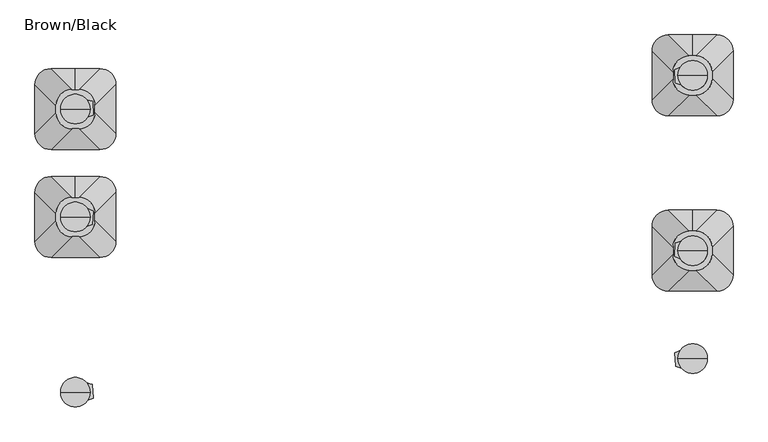
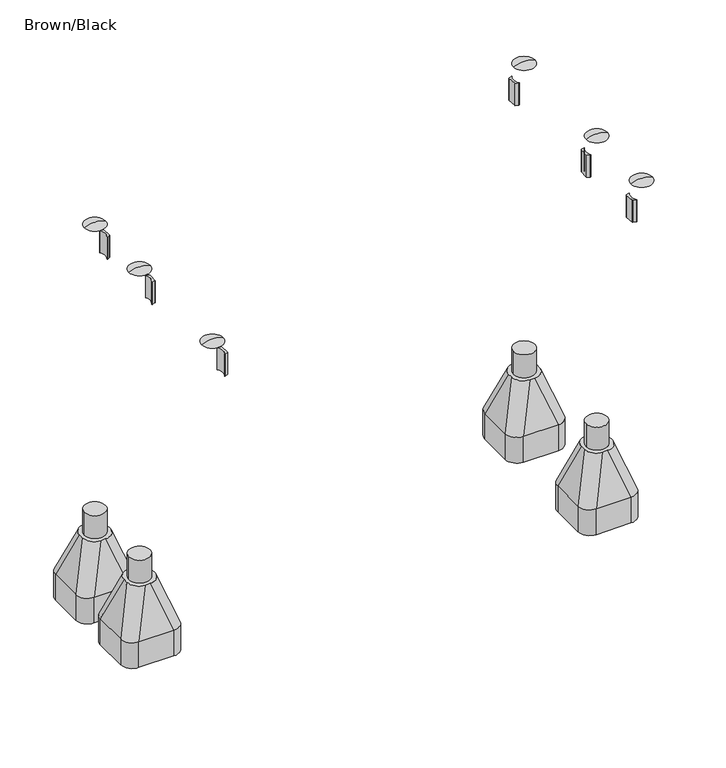
"""IFC4 building model written with IfcOpenShell, lengths in millimetres: furniture geometry, Brown/Black."""

from ifc_helpers import new_model, si_unit, point, frame, frame_2d, origin, place, context, project, spatial, polyline, circle_curve, ellipse_curve, trimmed, segment, composite_curve, outline, extrude, source, transform, mapped, element, save
from ifc_brep_helpers import plane_surface, cylinder_surface, revolved_surface, extruded_surface, advanced_brep


def brown_black_dec9ff12(model_context):
    return source(origin(), model_context, "Body", "SolidModel", [
        extrude(outline(composite_curve([segment(trimmed(circle_curve(frame_2d((-501.6623721, 1287.8944553)), 1.0), [point((-502.4716798, 1287.3070703))], [point((-501.3721685, 1288.8514202))], False, "CARTESIAN"), True, "CONTINUOUS"), segment(polyline([(-501.3721685, 1288.8514202), (-484.3878692, 1283.7008607)]), True, "CONTINUOUS"), segment(trimmed(circle_curve(frame_2d((-484.6780728, 1282.7438958)), 1.0), [point((-484.3878692, 1283.7008607))], [point((-483.6795644, 1282.7984949))], False, "CARTESIAN"), True, "CONTINUOUS"), segment(polyline([(-483.6795644, 1282.7984949), (-481.0260708, 1234.2714032)]), True, "CONTINUOUS"), segment(trimmed(circle_curve(frame_2d((-482.0245791, 1234.2168041)), 1.0), [point((-481.0260708, 1234.2714032))], [point((-481.6317628, 1233.2971872))], False, "CARTESIAN"), True, "CONTINUOUS"), segment(polyline([(-481.6317628, 1233.2971872), (-497.9532068, 1226.3254475)]), True, "CONTINUOUS"), segment(trimmed(circle_curve(frame_2d((-498.3460231, 1227.2450644)), 1.0), [point((-497.9532068, 1226.3254475))], [point((-499.2145513, 1227.7407043))], False, "CARTESIAN"), True, "CONTINUOUS"), segment(trimmed(circle_curve(frame_2d((-546.9835999, 1255.0008949)), 55.0), [point((-499.2145513, 1227.7407043))], [point((-502.4716798, 1287.3070703))], True, "CARTESIAN"), True, "CONTINUOUS")], self_intersect=False)), frame((0.0, 0.0, 1260.0), z_axis=(0.0, 0.0, 1.0), x_axis=(1.0, 0.0, 0.0)), (0.0, 0.0, 1.0), 120.0),
        extrude(outline(composite_curve([segment(trimmed(circle_curve(frame_2d((1693.6680929, 1347.1058575)), 1.0), [point((1694.4774006, 1347.6932425))], [point((1693.3778893, 1346.1488926))], False, "CARTESIAN"), True, "CONTINUOUS"), segment(polyline([(1693.3778893, 1346.1488926), (1676.39359, 1351.2994521)]), True, "CONTINUOUS"), segment(trimmed(circle_curve(frame_2d((1676.6837936, 1352.256417)), 1.0), [point((1676.39359, 1351.2994521))], [point((1675.6852852, 1352.2018179))], False, "CARTESIAN"), True, "CONTINUOUS"), segment(polyline([(1675.6852852, 1352.2018179), (1673.0317916, 1400.7289096)]), True, "CONTINUOUS"), segment(trimmed(circle_curve(frame_2d((1674.0303, 1400.7835087)), 1.0), [point((1673.0317916, 1400.7289096))], [point((1673.6374836, 1401.7031256))], False, "CARTESIAN"), True, "CONTINUOUS"), segment(polyline([(1673.6374836, 1401.7031256), (1689.9589276, 1408.6748653)]), True, "CONTINUOUS"), segment(trimmed(circle_curve(frame_2d((1690.3517439, 1407.7552484)), 1.0), [point((1689.9589276, 1408.6748653))], [point((1691.2202721, 1407.2596086))], False, "CARTESIAN"), True, "CONTINUOUS"), segment(trimmed(circle_curve(frame_2d((1738.9893207, 1379.9994179)), 55.0), [point((1691.2202721, 1407.2596086))], [point((1694.4774006, 1347.6932425))], True, "CARTESIAN"), True, "CONTINUOUS")], self_intersect=False)), frame((0.0, 0.0, 1260.0), z_axis=(0.0, 0.0, 1.0), x_axis=(1.0, 0.0, 0.0)), (0.0, 0.0, 1.0), 120.0),
        advanced_brep(
        [(-492.0, 1255.0, 1450.0), (-602.0, 1255.0, 1450.0), (-547.0, 1255.0, 1462.0246565), (-547.0, 1255.0, 1450.0)],
        [
            (0, 1, circle_curve(frame((-547.0, 1255.0, 1450.0), z_axis=(0.0, 0.0, 1.0), x_axis=(-1.0, 0.0, 0.0)), 55.0)),
            (1, 2, circle_curve(frame((-551.5450144, 1255.0, 1351.0177111), z_axis=(0.0, 1.0, 0.0), x_axis=(-1.0, 0.0, 0.0)), 111.0999509)),
            (2, 0, circle_curve(frame((-542.4549856, 1255.0, 1351.0177111), z_axis=(0.0, 1.0, 0.0), x_axis=(1.0, 0.0, 0.0)), 111.0999509)),
            (1, 0, circle_curve(frame((-547.0, 1255.0, 1450.0), z_axis=(0.0, 0.0, 1.0), x_axis=(-1.0, 0.0, 0.0)), 55.0)),
            (3, 1),
            (0, 3),
        ],
        [
            revolved_surface(trimmed(ellipse_curve(frame((-551.5450144, 1255.0, 1351.0177111), z_axis=(0.0, -1.0, 0.0), x_axis=(-1.0, 0.0, 0.0)), 111.0999509, 111.0999509), [point((-547.0, 1255.0, 1462.0246565))], [point((-602.0, 1255.0, 1450.0))], True, "CARTESIAN"), (-547.0, 1255.0, 1069.0), (0.0, 0.0, -1.0)),
            plane_surface(frame((-547.0, 1255.0, 1450.0), z_axis=(0.0, 0.0, -1.0), x_axis=(-1.0, 0.0, 0.0))),
        ],
        [
            (0, [[1, 2, 3]]),
            (0, [[4, -3, -2]]),
            (1, [[5, -1, 6]]),
            (1, [[-6, -4, -5]]),
        ],
    ),
        advanced_brep(
        [(1794.0, 1380.0, 1450.0), (1684.0, 1380.0, 1450.0), (1739.0, 1380.0, 1462.0246565), (1739.0, 1380.0, 1450.0)],
        [
            (0, 1, circle_curve(frame((1739.0, 1380.0, 1450.0), z_axis=(0.0, 0.0, 1.0), x_axis=(-1.0, 0.0, 0.0)), 55.0)),
            (1, 2, circle_curve(frame((1734.4549856, 1380.0, 1351.0177111), z_axis=(0.0, 1.0, 0.0), x_axis=(-1.0, 0.0, 0.0)), 111.0999509)),
            (2, 0, circle_curve(frame((1743.5450144, 1380.0, 1351.0177111), z_axis=(0.0, 1.0, 0.0), x_axis=(1.0, 0.0, 0.0)), 111.0999509)),
            (1, 0, circle_curve(frame((1739.0, 1380.0, 1450.0), z_axis=(0.0, 0.0, 1.0), x_axis=(-1.0, 0.0, 0.0)), 55.0)),
            (3, 1),
            (0, 3),
        ],
        [
            revolved_surface(trimmed(ellipse_curve(frame((1734.4549856, 1380.0, 1351.0177111), z_axis=(0.0, -1.0, 0.0), x_axis=(-1.0, 0.0, 0.0)), 111.0999509, 111.0999509), [point((1739.0, 1380.0, 1462.0246565))], [point((1684.0, 1380.0, 1450.0))], True, "CARTESIAN"), (1739.0, 1380.0, 1069.0), (0.0, 0.0, -1.0)),
            plane_surface(frame((1739.0, 1380.0, 1450.0), z_axis=(0.0, 0.0, -1.0), x_axis=(-1.0, 0.0, 0.0))),
        ],
        [
            (0, [[1, 2, 3]]),
            (0, [[4, -3, -2]]),
            (1, [[5, -1, 6]]),
            (1, [[-6, -4, -5]]),
        ],
    ),
        advanced_brep(
        [(1751.5, 1452.4599432, -225.0), (1739.0, 1452.4599432, -225.0), (1726.5, 1452.4599432, -225.0), (1666.5, 1392.4599432, -225.0), (1666.5, 1367.4599432, -225.0), (1726.5, 1307.4599432, -225.0), (1751.5, 1307.4599432, -225.0), (1811.5, 1367.4599432, -225.0), (1811.5, 1392.4599432, -225.0), (1829.0, 1530.0, -460.0), (1739.0, 1530.0, -460.0), (1649.0, 1530.0, -460.0), (1589.0, 1470.0, -460.0), (1589.0, 1290.0, -460.0), (1649.0, 1230.0, -460.0), (1829.0, 1230.0, -460.0), (1889.0, 1290.0, -460.0), (1889.0, 1470.0, -460.0), (1829.0, 1530.0, -600.0), (1889.0, 1470.0, -600.0), (1889.0, 1290.0, -600.0), (1829.0, 1230.0, -600.0), (1649.0, 1230.0, -600.0), (1589.0, 1290.0, -600.0), (1589.0, 1470.0, -600.0), (1649.0, 1530.0, -600.0), (1739.0, 1530.0, -600.0)],
        [
            (0, 1),
            (1, 2),
            (2, 3, circle_curve(frame((1726.5, 1392.4599432, -225.0), z_axis=(0.0, 0.0, 1.0), x_axis=(1.0, 0.0, 0.0)), 60.0)),
            (3, 4),
            (4, 5, circle_curve(frame((1726.5, 1367.4599432, -225.0), z_axis=(0.0, 0.0, 1.0), x_axis=(1.0, 0.0, 0.0)), 60.0)),
            (5, 6),
            (6, 7, circle_curve(frame((1751.5, 1367.4599432, -225.0), z_axis=(0.0, 0.0, 1.0), x_axis=(1.0, 0.0, 0.0)), 60.0)),
            (7, 8),
            (8, 0, circle_curve(frame((1751.5, 1392.4599432, -225.0), z_axis=(0.0, 0.0, 1.0), x_axis=(1.0, 0.0, 0.0)), 60.0)),
            (0, 9),
            (9, 10),
            (10, 1),
            (10, 11),
            (11, 2),
            (11, 12, circle_curve(frame((1649.0, 1470.0, -460.0), z_axis=(0.0, 0.0, 1.0), x_axis=(1.0, 0.0, 0.0)), 60.0)),
            (12, 3),
            (12, 13),
            (13, 4),
            (13, 14, circle_curve(frame((1649.0, 1290.0, -460.0), z_axis=(0.0, 0.0, 1.0), x_axis=(1.0, 0.0, 0.0)), 60.0)),
            (14, 5),
            (14, 15),
            (15, 6),
            (15, 16, circle_curve(frame((1829.0, 1290.0, -460.0), z_axis=(0.0, 0.0, 1.0), x_axis=(1.0, 0.0, 0.0)), 60.0)),
            (16, 7),
            (16, 17),
            (17, 8),
            (17, 9, circle_curve(frame((1829.0, 1470.0, -460.0), z_axis=(0.0, 0.0, 1.0), x_axis=(1.0, 0.0, 0.0)), 60.0)),
            (18, 19, circle_curve(frame((1829.0, 1470.0, -600.0), z_axis=(0.0, 0.0, -1.0), x_axis=(1.0, 0.0, 0.0)), 60.0)),
            (19, 20),
            (20, 21, circle_curve(frame((1829.0, 1290.0, -600.0), z_axis=(0.0, 0.0, -1.0), x_axis=(1.0, 0.0, 0.0)), 60.0)),
            (21, 22),
            (22, 23, circle_curve(frame((1649.0, 1290.0, -600.0), z_axis=(0.0, 0.0, -1.0), x_axis=(1.0, 0.0, 0.0)), 60.0)),
            (23, 24),
            (24, 25, circle_curve(frame((1649.0, 1470.0, -600.0), z_axis=(0.0, 0.0, -1.0), x_axis=(1.0, 0.0, 0.0)), 60.0)),
            (25, 26),
            (26, 18),
            (26, 10),
            (9, 18),
            (25, 11),
            (23, 13),
            (12, 24),
            (21, 15),
            (14, 22),
            (19, 17),
            (16, 20),
        ],
        [
            plane_surface(frame((1739.0, 1388.0154988, -225.0), z_axis=(0.0, 0.0, 1.0), x_axis=(-1.0, 0.0, 0.0))),
            plane_surface(frame((1745.25, 1452.4599432, -225.0), z_axis=(0.0, 0.9496406059136844, 0.3133412191204512), x_axis=(1.0, 0.0, 0.0))),
            plane_surface(frame((1732.75, 1452.4599432, -225.0), z_axis=(0.0, 0.9496406059136843, 0.3133412191204512), x_axis=(1.0, 0.0, 0.0))),
            extruded_surface(trimmed(circle_curve(frame((1726.5, 1392.4599432, -225.0), z_axis=(0.0, 0.0, -1.0), x_axis=(1.0, 0.0, 0.0)), 60.0), [point((1666.5, 1392.4599432, -225.0))], [point((1726.5, 1452.4599432, -225.0))], True, "CARTESIAN"), (-77.5, 77.5400568, -235.0), 259.3139225119763),
            plane_surface(frame((1666.5, 1379.9599432, -225.0), z_axis=(-0.9496887635303409, 0.0, 0.31319523052596476), x_axis=(0.0, 1.0, 0.0))),
            extruded_surface(trimmed(circle_curve(frame((1726.5, 1367.4599432, -225.0), z_axis=(0.0, 0.0, -1.0), x_axis=(1.0, 0.0, 0.0)), 60.0), [point((1726.5, 1307.4599432, -225.0))], [point((1666.5, 1367.4599432, -225.0))], True, "CARTESIAN"), (-77.5, -77.4599432, -235.0), 259.2899782107809),
            plane_surface(frame((1739.0, 1307.4599432, -225.0), z_axis=(0.0, -0.9497369035840961, 0.3130492197250991), x_axis=(-1.0, 0.0, 0.0))),
            extruded_surface(trimmed(circle_curve(frame((1751.5, 1367.4599432, -225.0), z_axis=(0.0, 0.0, -1.0), x_axis=(1.0, 0.0, 0.0)), 60.0), [point((1811.5, 1367.4599432, -225.0))], [point((1751.5, 1307.4599432, -225.0))], True, "CARTESIAN"), (77.5, -77.4599432, -235.0), 259.2899782107809),
            plane_surface(frame((1811.5, 1379.9599432, -225.0), z_axis=(0.9496887635303416, 0.0, 0.3131952305259627), x_axis=(0.0, -1.0, 0.0))),
            extruded_surface(trimmed(circle_curve(frame((1751.5, 1392.4599432, -225.0), z_axis=(0.0, 0.0, -1.0), x_axis=(1.0, 0.0, 0.0)), 60.0), [point((1751.5, 1452.4599432, -225.0))], [point((1811.5, 1392.4599432, -225.0))], True, "CARTESIAN"), (77.5, 77.5400568, -235.0), 259.3139225119763),
            plane_surface(frame((1739.0, 1530.0, -600.0), z_axis=(0.0, 0.0, -1.0), x_axis=(1.0, 0.0, 0.0))),
            plane_surface(frame((1829.0, 1530.0, -460.0), z_axis=(0.0, 1.0, 0.0), x_axis=(0.0, 0.0, -1.0))),
            plane_surface(frame((1739.0, 1530.0, -460.0), z_axis=(0.0, 1.0, 0.0), x_axis=(0.0, 0.0, -1.0))),
            plane_surface(frame((1589.0, 1470.0, -460.0), z_axis=(-1.0, 0.0, 0.0), x_axis=(0.0, 0.0, -1.0))),
            plane_surface(frame((1649.0, 1230.0, -460.0), z_axis=(0.0, -1.0, 0.0), x_axis=(0.0, 0.0, -1.0))),
            plane_surface(frame((1889.0, 1290.0, -460.0), z_axis=(1.0, 0.0, 0.0), x_axis=(0.0, 0.0, -1.0))),
            cylinder_surface(frame((1649.0, 1470.0, -600.0), z_axis=(0.0, 0.0, 1.0), x_axis=(1.0, 0.0, 0.0)), 60.0),
            cylinder_surface(frame((1649.0, 1290.0, -600.0), z_axis=(0.0, 0.0, 1.0), x_axis=(1.0, 0.0, 0.0)), 60.0),
            cylinder_surface(frame((1829.0, 1290.0, -600.0), z_axis=(0.0, 0.0, 1.0), x_axis=(1.0, 0.0, 0.0)), 60.0),
            cylinder_surface(frame((1829.0, 1470.0, -600.0), z_axis=(0.0, 0.0, 1.0), x_axis=(1.0, 0.0, 0.0)), 60.0),
        ],
        [
            (0, [[1, 2, 3, 4, 5, 6, 7, 8, 9]]),
            (1, [[-1, 10, 11, 12]]),
            (2, [[-2, -12, 13, 14]]),
            (3, [[-3, -14, 15, 16]]),
            (4, [[-4, -16, 17, 18]]),
            (5, [[-5, -18, 19, 20]]),
            (6, [[-6, -20, 21, 22]]),
            (7, [[-7, -22, 23, 24]]),
            (8, [[-8, -24, 25, 26]]),
            (9, [[-9, -26, 27, -10]]),
            (10, [[28, 29, 30, 31, 32, 33, 34, 35, 36]]),
            (11, [[-36, 37, -11, 38]]),
            (12, [[-35, 39, -13, -37]]),
            (13, [[-33, 40, -17, 41]]),
            (14, [[-31, 42, -21, 43]]),
            (15, [[-29, 44, -25, 45]]),
            (16, [[-34, -41, -15, -39]]),
            (17, [[-32, -43, -19, -40]]),
            (18, [[-30, -45, -23, -42]]),
            (19, [[-28, -38, -27, -44]]),
        ],
    ),
        extrude(outline(composite_curve([segment(trimmed(circle_curve(frame_2d((1739.0, 1380.0)), 55.0), [point((1684.0, 1380.0))], [point((1794.0, 1380.0))], False, "CARTESIAN"), True, "CONTINUOUS"), segment(trimmed(circle_curve(frame_2d((1739.0, 1380.0)), 55.0), [point((1794.0, 1380.0))], [point((1684.0, 1380.0))], False, "CARTESIAN"), True, "CONTINUOUS")], self_intersect=False)), frame((0.0, 0.0, -600.0), z_axis=(0.0, 0.0, 1.0), x_axis=(1.0, 0.0, 0.0)), (0.0, 0.0, 1.0), 500.0),
        advanced_brep(
        [(-534.5, 1327.4599432, -225.0), (-547.0, 1327.4599432, -225.0), (-559.5, 1327.4599432, -225.0), (-619.5, 1267.4599432, -225.0), (-619.5, 1242.4599432, -225.0), (-559.5, 1182.4599432, -225.0), (-534.5, 1182.4599432, -225.0), (-474.5, 1242.4599432, -225.0), (-474.5, 1267.4599432, -225.0), (-457.0, 1405.0, -460.0), (-547.0, 1405.0, -460.0), (-637.0, 1405.0, -460.0), (-697.0, 1345.0, -460.0), (-697.0, 1165.0, -460.0), (-637.0, 1105.0, -460.0), (-457.0, 1105.0, -460.0), (-397.0, 1165.0, -460.0), (-397.0, 1345.0, -460.0), (-457.0, 1405.0, -600.0), (-397.0, 1345.0, -600.0), (-397.0, 1165.0, -600.0), (-457.0, 1105.0, -600.0), (-637.0, 1105.0, -600.0), (-697.0, 1165.0, -600.0), (-697.0, 1345.0, -600.0), (-637.0, 1405.0, -600.0), (-547.0, 1405.0, -600.0)],
        [
            (0, 1),
            (1, 2),
            (2, 3, circle_curve(frame((-559.5, 1267.4599432, -225.0), z_axis=(0.0, 0.0, 1.0), x_axis=(1.0, 0.0, 0.0)), 60.0)),
            (3, 4),
            (4, 5, circle_curve(frame((-559.5, 1242.4599432, -225.0), z_axis=(0.0, 0.0, 1.0), x_axis=(1.0, 0.0, 0.0)), 60.0)),
            (5, 6),
            (6, 7, circle_curve(frame((-534.5, 1242.4599432, -225.0), z_axis=(0.0, 0.0, 1.0), x_axis=(1.0, 0.0, 0.0)), 60.0)),
            (7, 8),
            (8, 0, circle_curve(frame((-534.5, 1267.4599432, -225.0), z_axis=(0.0, 0.0, 1.0), x_axis=(1.0, 0.0, 0.0)), 60.0)),
            (0, 9),
            (9, 10),
            (10, 1),
            (10, 11),
            (11, 2),
            (11, 12, circle_curve(frame((-637.0, 1345.0, -460.0), z_axis=(0.0, 0.0, 1.0), x_axis=(1.0, 0.0, 0.0)), 60.0)),
            (12, 3),
            (12, 13),
            (13, 4),
            (13, 14, circle_curve(frame((-637.0, 1165.0, -460.0), z_axis=(0.0, 0.0, 1.0), x_axis=(1.0, 0.0, 0.0)), 60.0)),
            (14, 5),
            (14, 15),
            (15, 6),
            (15, 16, circle_curve(frame((-457.0, 1165.0, -460.0), z_axis=(0.0, 0.0, 1.0), x_axis=(1.0, 0.0, 0.0)), 60.0)),
            (16, 7),
            (16, 17),
            (17, 8),
            (17, 9, circle_curve(frame((-457.0, 1345.0, -460.0), z_axis=(0.0, 0.0, 1.0), x_axis=(1.0, 0.0, 0.0)), 60.0)),
            (18, 19, circle_curve(frame((-457.0, 1345.0, -600.0), z_axis=(0.0, 0.0, -1.0), x_axis=(1.0, 0.0, 0.0)), 60.0)),
            (19, 20),
            (20, 21, circle_curve(frame((-457.0, 1165.0, -600.0), z_axis=(0.0, 0.0, -1.0), x_axis=(1.0, 0.0, 0.0)), 60.0)),
            (21, 22),
            (22, 23, circle_curve(frame((-637.0, 1165.0, -600.0), z_axis=(0.0, 0.0, -1.0), x_axis=(1.0, 0.0, 0.0)), 60.0)),
            (23, 24),
            (24, 25, circle_curve(frame((-637.0, 1345.0, -600.0), z_axis=(0.0, 0.0, -1.0), x_axis=(1.0, 0.0, 0.0)), 60.0)),
            (25, 26),
            (26, 18),
            (26, 10),
            (9, 18),
            (25, 11),
            (23, 13),
            (12, 24),
            (21, 15),
            (14, 22),
            (19, 17),
            (16, 20),
        ],
        [
            plane_surface(frame((-547.0, 1263.0154988, -225.0), z_axis=(0.0, 0.0, 1.0), x_axis=(-1.0, 0.0, 0.0))),
            plane_surface(frame((-540.75, 1327.4599432, -225.0), z_axis=(0.0, 0.9496406059136844, 0.3133412191204512), x_axis=(1.0, 0.0, 0.0))),
            plane_surface(frame((-553.25, 1327.4599432, -225.0), z_axis=(0.0, 0.9496406059136843, 0.3133412191204512), x_axis=(1.0, 0.0, 0.0))),
            extruded_surface(trimmed(circle_curve(frame((-559.5, 1267.4599432, -225.0), z_axis=(0.0, 0.0, -1.0), x_axis=(1.0, 0.0, 0.0)), 60.0), [point((-619.5, 1267.4599432, -225.0))], [point((-559.5, 1327.4599432, -225.0))], True, "CARTESIAN"), (-77.5, 77.5400568, -235.0), 259.3139225119763),
            plane_surface(frame((-619.5, 1254.9599432, -225.0), z_axis=(-0.9496887635303409, 0.0, 0.31319523052596476), x_axis=(0.0, 1.0, 0.0))),
            extruded_surface(trimmed(circle_curve(frame((-559.5, 1242.4599432, -225.0), z_axis=(0.0, 0.0, -1.0), x_axis=(1.0, 0.0, 0.0)), 60.0), [point((-559.5, 1182.4599432, -225.0))], [point((-619.5, 1242.4599432, -225.0))], True, "CARTESIAN"), (-77.5, -77.4599432, -235.0), 259.2899782107809),
            plane_surface(frame((-547.0, 1182.4599432, -225.0), z_axis=(0.0, -0.9497369035840961, 0.3130492197250991), x_axis=(-1.0, 0.0, 0.0))),
            extruded_surface(trimmed(circle_curve(frame((-534.5, 1242.4599432, -225.0), z_axis=(0.0, 0.0, -1.0), x_axis=(1.0, 0.0, 0.0)), 60.0), [point((-474.5, 1242.4599432, -225.0))], [point((-534.5, 1182.4599432, -225.0))], True, "CARTESIAN"), (77.5, -77.4599432, -235.0), 259.2899782107809),
            plane_surface(frame((-474.5, 1254.9599432, -225.0), z_axis=(0.9496887635303416, 0.0, 0.3131952305259627), x_axis=(0.0, -1.0, 0.0))),
            extruded_surface(trimmed(circle_curve(frame((-534.5, 1267.4599432, -225.0), z_axis=(0.0, 0.0, -1.0), x_axis=(1.0, 0.0, 0.0)), 60.0), [point((-534.5, 1327.4599432, -225.0))], [point((-474.5, 1267.4599432, -225.0))], True, "CARTESIAN"), (77.5, 77.5400568, -235.0), 259.3139225119763),
            plane_surface(frame((-547.0, 1405.0, -600.0), z_axis=(0.0, 0.0, -1.0), x_axis=(1.0, 0.0, 0.0))),
            plane_surface(frame((-457.0, 1405.0, -460.0), z_axis=(0.0, 1.0, 0.0), x_axis=(0.0, 0.0, -1.0))),
            plane_surface(frame((-547.0, 1405.0, -460.0), z_axis=(0.0, 1.0, 0.0), x_axis=(0.0, 0.0, -1.0))),
            plane_surface(frame((-697.0, 1345.0, -460.0), z_axis=(-1.0, 0.0, 0.0), x_axis=(0.0, 0.0, -1.0))),
            plane_surface(frame((-637.0, 1105.0, -460.0), z_axis=(0.0, -1.0, 0.0), x_axis=(0.0, 0.0, -1.0))),
            plane_surface(frame((-397.0, 1165.0, -460.0), z_axis=(1.0, 0.0, 0.0), x_axis=(0.0, 0.0, -1.0))),
            cylinder_surface(frame((-637.0, 1345.0, -600.0), z_axis=(0.0, 0.0, 1.0), x_axis=(1.0, 0.0, 0.0)), 60.0),
            cylinder_surface(frame((-637.0, 1165.0, -600.0), z_axis=(0.0, 0.0, 1.0), x_axis=(1.0, 0.0, 0.0)), 60.0),
            cylinder_surface(frame((-457.0, 1165.0, -600.0), z_axis=(0.0, 0.0, 1.0), x_axis=(1.0, 0.0, 0.0)), 60.0),
            cylinder_surface(frame((-457.0, 1345.0, -600.0), z_axis=(0.0, 0.0, 1.0), x_axis=(1.0, 0.0, 0.0)), 60.0),
        ],
        [
            (0, [[1, 2, 3, 4, 5, 6, 7, 8, 9]]),
            (1, [[-1, 10, 11, 12]]),
            (2, [[-2, -12, 13, 14]]),
            (3, [[-3, -14, 15, 16]]),
            (4, [[-4, -16, 17, 18]]),
            (5, [[-5, -18, 19, 20]]),
            (6, [[-6, -20, 21, 22]]),
            (7, [[-7, -22, 23, 24]]),
            (8, [[-8, -24, 25, 26]]),
            (9, [[-9, -26, 27, -10]]),
            (10, [[28, 29, 30, 31, 32, 33, 34, 35, 36]]),
            (11, [[-36, 37, -11, 38]]),
            (12, [[-35, 39, -13, -37]]),
            (13, [[-33, 40, -17, 41]]),
            (14, [[-31, 42, -21, 43]]),
            (15, [[-29, 44, -25, 45]]),
            (16, [[-34, -41, -15, -39]]),
            (17, [[-32, -43, -19, -40]]),
            (18, [[-30, -45, -23, -42]]),
            (19, [[-28, -38, -27, -44]]),
        ],
    ),
        extrude(outline(composite_curve([segment(trimmed(circle_curve(frame_2d((-547.0, 1255.0)), 55.0), [point((-602.0, 1255.0))], [point((-492.0, 1255.0))], False, "CARTESIAN"), True, "CONTINUOUS"), segment(trimmed(circle_curve(frame_2d((-547.0, 1255.0)), 55.0), [point((-492.0, 1255.0))], [point((-602.0, 1255.0))], False, "CARTESIAN"), True, "CONTINUOUS")], self_intersect=False)), frame((0.0, 0.0, -600.0), z_axis=(0.0, 0.0, 1.0), x_axis=(1.0, 0.0, 0.0)), (0.0, 0.0, 1.0), 500.0),
        extrude(outline(composite_curve([segment(trimmed(circle_curve(frame_2d((1693.7224634, 297.1088305)), 1.0), [point((1694.5317711, 297.6962155))], [point((1693.4322598, 296.1518656))], False, "CARTESIAN"), True, "CONTINUOUS"), segment(polyline([(1693.4322598, 296.1518656), (1676.4479605, 301.3024251)]), True, "CONTINUOUS"), segment(trimmed(circle_curve(frame_2d((1676.7381641, 302.25939)), 1.0), [point((1676.4479605, 301.3024251))], [point((1675.7396558, 302.2047909))], False, "CARTESIAN"), True, "CONTINUOUS"), segment(polyline([(1675.7396558, 302.2047909), (1673.0861621, 350.7318826)]), True, "CONTINUOUS"), segment(trimmed(circle_curve(frame_2d((1674.0846705, 350.7864817)), 1.0), [point((1673.0861621, 350.7318826))], [point((1673.6918541, 351.7060987))], False, "CARTESIAN"), True, "CONTINUOUS"), segment(polyline([(1673.6918541, 351.7060987), (1690.0132981, 358.6778383)]), True, "CONTINUOUS"), segment(trimmed(circle_curve(frame_2d((1690.4061144, 357.7582214)), 1.0), [point((1690.0132981, 358.6778383))], [point((1691.2746426, 357.2625816))], False, "CARTESIAN"), True, "CONTINUOUS"), segment(trimmed(circle_curve(frame_2d((1739.0436912, 330.0023909)), 55.0), [point((1691.2746426, 357.2625816))], [point((1694.5317711, 297.6962155))], True, "CARTESIAN"), True, "CONTINUOUS")], self_intersect=False)), frame((0.0, 0.0, 1260.0), z_axis=(0.0, 0.0, 1.0), x_axis=(1.0, 0.0, 0.0)), (0.0, 0.0, 1.0), 120.0),
        extrude(outline(composite_curve([segment(trimmed(circle_curve(frame_2d((1690.3242462, 702.2462589)), 1.0), [point((1691.1927744, 702.7418988))], [point((1689.9314299, 701.326642))], False, "CARTESIAN"), True, "CONTINUOUS"), segment(polyline([(1689.9314299, 701.326642), (1673.6099859, 708.2983817)]), True, "CONTINUOUS"), segment(trimmed(circle_curve(frame_2d((1674.0028023, 709.2179986)), 1.0), [point((1673.6099859, 708.2983817))], [point((1673.0042939, 709.2725977))], False, "CARTESIAN"), True, "CONTINUOUS"), segment(polyline([(1673.0042939, 709.2725977), (1675.6577875, 757.7996894)]), True, "CONTINUOUS"), segment(trimmed(circle_curve(frame_2d((1676.6562959, 757.7450903)), 1.0), [point((1675.6577875, 757.7996894))], [point((1676.3660923, 758.7020552))], False, "CARTESIAN"), True, "CONTINUOUS"), segment(polyline([(1676.3660923, 758.7020552), (1693.3503916, 763.8526147)]), True, "CONTINUOUS"), segment(trimmed(circle_curve(frame_2d((1693.6405952, 762.8956498)), 1.0), [point((1693.3503916, 763.8526147))], [point((1694.4499029, 762.3082648))], False, "CARTESIAN"), True, "CONTINUOUS"), segment(trimmed(circle_curve(frame_2d((1738.961823, 730.0020894)), 55.0), [point((1694.4499029, 762.3082648))], [point((1691.1927744, 702.7418988))], True, "CARTESIAN"), True, "CONTINUOUS")], self_intersect=False)), frame((0.0, 0.0, 1260.0), z_axis=(0.0, 0.0, 1.0), x_axis=(1.0, 0.0, 0.0)), (0.0, 0.0, 1.0), 120.0),
        extrude(outline(composite_curve([segment(trimmed(circle_curve(frame_2d((-501.7205511, 237.891274)), 1.0), [point((-502.5298588, 237.303889))], [point((-501.4303475, 238.848239))], False, "CARTESIAN"), True, "CONTINUOUS"), segment(polyline([(-501.4303475, 238.848239), (-484.4460482, 233.6976795)]), True, "CONTINUOUS"), segment(trimmed(circle_curve(frame_2d((-484.7362518, 232.7407145)), 1.0), [point((-484.4460482, 233.6976795))], [point((-483.7377434, 232.7953136))], False, "CARTESIAN"), True, "CONTINUOUS"), segment(polyline([(-483.7377434, 232.7953136), (-481.0842498, 184.268222)]), True, "CONTINUOUS"), segment(trimmed(circle_curve(frame_2d((-482.0827581, 184.2136229)), 1.0), [point((-481.0842498, 184.268222))], [point((-481.6899418, 183.2940059))], False, "CARTESIAN"), True, "CONTINUOUS"), segment(polyline([(-481.6899418, 183.2940059), (-498.0113858, 176.3222662)]), True, "CONTINUOUS"), segment(trimmed(circle_curve(frame_2d((-498.4042021, 177.2418832)), 1.0), [point((-498.0113858, 176.3222662))], [point((-499.2727303, 177.737523))], False, "CARTESIAN"), True, "CONTINUOUS"), segment(trimmed(circle_curve(frame_2d((-547.0417789, 204.9977136)), 55.0), [point((-499.2727303, 177.737523))], [point((-502.5298588, 237.303889))], True, "CARTESIAN"), True, "CONTINUOUS")], self_intersect=False)), frame((0.0, 0.0, 1260.0), z_axis=(0.0, 0.0, 1.0), x_axis=(1.0, 0.0, 0.0)), (0.0, 0.0, 1.0), 120.0),
        extrude(outline(composite_curve([segment(trimmed(circle_curve(frame_2d((-498.3701462, 882.7562509)), 1.0), [point((-499.2386744, 882.2606111))], [point((-497.9773299, 883.6758679))], False, "CARTESIAN"), True, "CONTINUOUS"), segment(polyline([(-497.9773299, 883.6758679), (-481.6558859, 876.7041282)]), True, "CONTINUOUS"), segment(trimmed(circle_curve(frame_2d((-482.0487022, 875.7845112)), 1.0), [point((-481.6558859, 876.7041282))], [point((-481.0501939, 875.7299121))], False, "CARTESIAN"), True, "CONTINUOUS"), segment(polyline([(-481.0501939, 875.7299121), (-483.7036875, 827.2028205)]), True, "CONTINUOUS"), segment(trimmed(circle_curve(frame_2d((-484.7021959, 827.2574196)), 1.0), [point((-483.7036875, 827.2028205))], [point((-484.4119923, 826.3004546))], False, "CARTESIAN"), True, "CONTINUOUS"), segment(polyline([(-484.4119923, 826.3004546), (-501.3962916, 821.1498951)]), True, "CONTINUOUS"), segment(trimmed(circle_curve(frame_2d((-501.6864952, 822.1068601)), 1.0), [point((-501.3962916, 821.1498951))], [point((-502.4958029, 822.6942451))], False, "CARTESIAN"), True, "CONTINUOUS"), segment(trimmed(circle_curve(frame_2d((-547.007723, 855.0004204)), 55.0), [point((-502.4958029, 822.6942451))], [point((-499.2386744, 882.2606111))], True, "CARTESIAN"), True, "CONTINUOUS")], self_intersect=False)), frame((0.0, 0.0, 1260.0), z_axis=(0.0, 0.0, 1.0), x_axis=(1.0, 0.0, 0.0)), (0.0, 0.0, 1.0), 120.0),
        advanced_brep(
        [(1794.0, 730.0, 1450.0), (1684.0, 730.0, 1450.0), (1739.0, 730.0, 1462.0246565), (1739.0, 730.0, 1450.0)],
        [
            (0, 1, circle_curve(frame((1739.0, 730.0, 1450.0), z_axis=(0.0, 0.0, 1.0), x_axis=(-1.0, 0.0, 0.0)), 55.0)),
            (1, 2, circle_curve(frame((1734.4549856, 730.0, 1351.0177111), z_axis=(0.0, 1.0, 0.0), x_axis=(-1.0, 0.0, 0.0)), 111.0999509)),
            (2, 0, circle_curve(frame((1743.5450144, 730.0, 1351.0177111), z_axis=(0.0, 1.0, 0.0), x_axis=(1.0, 0.0, 0.0)), 111.0999509)),
            (1, 0, circle_curve(frame((1739.0, 730.0, 1450.0), z_axis=(0.0, 0.0, 1.0), x_axis=(-1.0, 0.0, 0.0)), 55.0)),
            (3, 1),
            (0, 3),
        ],
        [
            revolved_surface(trimmed(ellipse_curve(frame((1734.4549856, 730.0, 1351.0177111), z_axis=(0.0, -1.0, 0.0), x_axis=(-1.0, 0.0, 0.0)), 111.0999509, 111.0999509), [point((1739.0, 730.0, 1462.0246565))], [point((1684.0, 730.0, 1450.0))], True, "CARTESIAN"), (1739.0, 730.0, 1069.0), (0.0, 0.0, -1.0)),
            plane_surface(frame((1739.0, 730.0, 1450.0), z_axis=(0.0, 0.0, -1.0), x_axis=(-1.0, 0.0, 0.0))),
        ],
        [
            (0, [[1, 2, 3]]),
            (0, [[4, -3, -2]]),
            (1, [[5, -1, 6]]),
            (1, [[-6, -4, -5]]),
        ],
    ),
        advanced_brep(
        [(-534.5, 927.4599432, -225.0), (-547.0, 927.4599432, -225.0), (-559.5, 927.4599432, -225.0), (-619.5, 867.4599432, -225.0), (-619.5, 842.4599432, -225.0), (-559.5, 782.4599432, -225.0), (-534.5, 782.4599432, -225.0), (-474.5, 842.4599432, -225.0), (-474.5, 867.4599432, -225.0), (-457.0, 1005.0, -460.0), (-547.0, 1005.0, -460.0), (-637.0, 1005.0, -460.0), (-697.0, 945.0, -460.0), (-697.0, 765.0, -460.0), (-637.0, 705.0, -460.0), (-457.0, 705.0, -460.0), (-397.0, 765.0, -460.0), (-397.0, 945.0, -460.0), (-457.0, 1005.0, -600.0), (-397.0, 945.0, -600.0), (-397.0, 765.0, -600.0), (-457.0, 705.0, -600.0), (-637.0, 705.0, -600.0), (-697.0, 765.0, -600.0), (-697.0, 945.0, -600.0), (-637.0, 1005.0, -600.0), (-547.0, 1005.0, -600.0)],
        [
            (0, 1),
            (1, 2),
            (2, 3, circle_curve(frame((-559.5, 867.4599432, -225.0), z_axis=(0.0, 0.0, 1.0), x_axis=(1.0, 0.0, 0.0)), 60.0)),
            (3, 4),
            (4, 5, circle_curve(frame((-559.5, 842.4599432, -225.0), z_axis=(0.0, 0.0, 1.0), x_axis=(1.0, 0.0, 0.0)), 60.0)),
            (5, 6),
            (6, 7, circle_curve(frame((-534.5, 842.4599432, -225.0), z_axis=(0.0, 0.0, 1.0), x_axis=(1.0, 0.0, 0.0)), 60.0)),
            (7, 8),
            (8, 0, circle_curve(frame((-534.5, 867.4599432, -225.0), z_axis=(0.0, 0.0, 1.0), x_axis=(1.0, 0.0, 0.0)), 60.0)),
            (0, 9),
            (9, 10),
            (10, 1),
            (10, 11),
            (11, 2),
            (11, 12, circle_curve(frame((-637.0, 945.0, -460.0), z_axis=(0.0, 0.0, 1.0), x_axis=(1.0, 0.0, 0.0)), 60.0)),
            (12, 3),
            (12, 13),
            (13, 4),
            (13, 14, circle_curve(frame((-637.0, 765.0, -460.0), z_axis=(0.0, 0.0, 1.0), x_axis=(1.0, 0.0, 0.0)), 60.0)),
            (14, 5),
            (14, 15),
            (15, 6),
            (15, 16, circle_curve(frame((-457.0, 765.0, -460.0), z_axis=(0.0, 0.0, 1.0), x_axis=(1.0, 0.0, 0.0)), 60.0)),
            (16, 7),
            (16, 17),
            (17, 8),
            (17, 9, circle_curve(frame((-457.0, 945.0, -460.0), z_axis=(0.0, 0.0, 1.0), x_axis=(1.0, 0.0, 0.0)), 60.0)),
            (18, 19, circle_curve(frame((-457.0, 945.0, -600.0), z_axis=(0.0, 0.0, -1.0), x_axis=(1.0, 0.0, 0.0)), 60.0)),
            (19, 20),
            (20, 21, circle_curve(frame((-457.0, 765.0, -600.0), z_axis=(0.0, 0.0, -1.0), x_axis=(1.0, 0.0, 0.0)), 60.0)),
            (21, 22),
            (22, 23, circle_curve(frame((-637.0, 765.0, -600.0), z_axis=(0.0, 0.0, -1.0), x_axis=(1.0, 0.0, 0.0)), 60.0)),
            (23, 24),
            (24, 25, circle_curve(frame((-637.0, 945.0, -600.0), z_axis=(0.0, 0.0, -1.0), x_axis=(1.0, 0.0, 0.0)), 60.0)),
            (25, 26),
            (26, 18),
            (26, 10),
            (9, 18),
            (25, 11),
            (23, 13),
            (12, 24),
            (21, 15),
            (14, 22),
            (19, 17),
            (16, 20),
        ],
        [
            plane_surface(frame((-547.0, 863.0154988, -225.0), z_axis=(0.0, 0.0, 1.0), x_axis=(-1.0, 0.0, 0.0))),
            plane_surface(frame((-540.75, 927.4599432, -225.0), z_axis=(0.0, 0.9496406059136844, 0.3133412191204512), x_axis=(1.0, 0.0, 0.0))),
            plane_surface(frame((-553.25, 927.4599432, -225.0), z_axis=(0.0, 0.9496406059136843, 0.3133412191204512), x_axis=(1.0, 0.0, 0.0))),
            extruded_surface(trimmed(circle_curve(frame((-559.5, 867.4599432, -225.0), z_axis=(0.0, 0.0, -1.0), x_axis=(1.0, 0.0, 0.0)), 60.0), [point((-619.5, 867.4599432, -225.0))], [point((-559.5, 927.4599432, -225.0))], True, "CARTESIAN"), (-77.5, 77.5400568, -235.0), 259.3139225119763),
            plane_surface(frame((-619.5, 854.9599432, -225.0), z_axis=(-0.9496887635303409, 0.0, 0.31319523052596476), x_axis=(0.0, 1.0, 0.0))),
            extruded_surface(trimmed(circle_curve(frame((-559.5, 842.4599432, -225.0), z_axis=(0.0, 0.0, -1.0), x_axis=(1.0, 0.0, 0.0)), 60.0), [point((-559.5, 782.4599432, -225.0))], [point((-619.5, 842.4599432, -225.0))], True, "CARTESIAN"), (-77.5, -77.4599432, -235.0), 259.2899782107809),
            plane_surface(frame((-547.0, 782.4599432, -225.0), z_axis=(0.0, -0.9497369035840961, 0.3130492197250991), x_axis=(-1.0, 0.0, 0.0))),
            extruded_surface(trimmed(circle_curve(frame((-534.5, 842.4599432, -225.0), z_axis=(0.0, 0.0, -1.0), x_axis=(1.0, 0.0, 0.0)), 60.0), [point((-474.5, 842.4599432, -225.0))], [point((-534.5, 782.4599432, -225.0))], True, "CARTESIAN"), (77.5, -77.4599432, -235.0), 259.2899782107809),
            plane_surface(frame((-474.5, 854.9599432, -225.0), z_axis=(0.9496887635303416, 0.0, 0.3131952305259627), x_axis=(0.0, -1.0, 0.0))),
            extruded_surface(trimmed(circle_curve(frame((-534.5, 867.4599432, -225.0), z_axis=(0.0, 0.0, -1.0), x_axis=(1.0, 0.0, 0.0)), 60.0), [point((-534.5, 927.4599432, -225.0))], [point((-474.5, 867.4599432, -225.0))], True, "CARTESIAN"), (77.5, 77.5400568, -235.0), 259.3139225119763),
            plane_surface(frame((-547.0, 1005.0, -600.0), z_axis=(0.0, 0.0, -1.0), x_axis=(1.0, 0.0, 0.0))),
            plane_surface(frame((-457.0, 1005.0, -460.0), z_axis=(0.0, 1.0, 0.0), x_axis=(0.0, 0.0, -1.0))),
            plane_surface(frame((-547.0, 1005.0, -460.0), z_axis=(0.0, 1.0, 0.0), x_axis=(0.0, 0.0, -1.0))),
            plane_surface(frame((-697.0, 945.0, -460.0), z_axis=(-1.0, 0.0, 0.0), x_axis=(0.0, 0.0, -1.0))),
            plane_surface(frame((-637.0, 705.0, -460.0), z_axis=(0.0, -1.0, 0.0), x_axis=(0.0, 0.0, -1.0))),
            plane_surface(frame((-397.0, 765.0, -460.0), z_axis=(1.0, 0.0, 0.0), x_axis=(0.0, 0.0, -1.0))),
            cylinder_surface(frame((-637.0, 945.0, -600.0), z_axis=(0.0, 0.0, 1.0), x_axis=(1.0, 0.0, 0.0)), 60.0),
            cylinder_surface(frame((-637.0, 765.0, -600.0), z_axis=(0.0, 0.0, 1.0), x_axis=(1.0, 0.0, 0.0)), 60.0),
            cylinder_surface(frame((-457.0, 765.0, -600.0), z_axis=(0.0, 0.0, 1.0), x_axis=(1.0, 0.0, 0.0)), 60.0),
            cylinder_surface(frame((-457.0, 945.0, -600.0), z_axis=(0.0, 0.0, 1.0), x_axis=(1.0, 0.0, 0.0)), 60.0),
        ],
        [
            (0, [[1, 2, 3, 4, 5, 6, 7, 8, 9]]),
            (1, [[-1, 10, 11, 12]]),
            (2, [[-2, -12, 13, 14]]),
            (3, [[-3, -14, 15, 16]]),
            (4, [[-4, -16, 17, 18]]),
            (5, [[-5, -18, 19, 20]]),
            (6, [[-6, -20, 21, 22]]),
            (7, [[-7, -22, 23, 24]]),
            (8, [[-8, -24, 25, 26]]),
            (9, [[-9, -26, 27, -10]]),
            (10, [[28, 29, 30, 31, 32, 33, 34, 35, 36]]),
            (11, [[-36, 37, -11, 38]]),
            (12, [[-35, 39, -13, -37]]),
            (13, [[-33, 40, -17, 41]]),
            (14, [[-31, 42, -21, 43]]),
            (15, [[-29, 44, -25, 45]]),
            (16, [[-34, -41, -15, -39]]),
            (17, [[-32, -43, -19, -40]]),
            (18, [[-30, -45, -23, -42]]),
            (19, [[-28, -38, -27, -44]]),
        ],
    ),
        extrude(outline(composite_curve([segment(trimmed(circle_curve(frame_2d((-547.0, 855.0)), 55.0), [point((-602.0, 855.0))], [point((-492.0, 855.0))], False, "CARTESIAN"), True, "CONTINUOUS"), segment(trimmed(circle_curve(frame_2d((-547.0, 855.0)), 55.0), [point((-492.0, 855.0))], [point((-602.0, 855.0))], False, "CARTESIAN"), True, "CONTINUOUS")], self_intersect=False)), frame((0.0, 0.0, -600.0), z_axis=(0.0, 0.0, 1.0), x_axis=(1.0, 0.0, 0.0)), (0.0, 0.0, 1.0), 500.0),
        advanced_brep(
        [(1751.5, 802.4599432, -225.0), (1739.0, 802.4599432, -225.0), (1726.5, 802.4599432, -225.0), (1666.5, 742.4599432, -225.0), (1666.5, 717.4599432, -225.0), (1726.5, 657.4599432, -225.0), (1751.5, 657.4599432, -225.0), (1811.5, 717.4599432, -225.0), (1811.5, 742.4599432, -225.0), (1829.0, 880.0, -460.0), (1739.0, 880.0, -460.0), (1649.0, 880.0, -460.0), (1589.0, 820.0, -460.0), (1589.0, 640.0, -460.0), (1649.0, 580.0, -460.0), (1829.0, 580.0, -460.0), (1889.0, 640.0, -460.0), (1889.0, 820.0, -460.0), (1829.0, 880.0, -600.0), (1889.0, 820.0, -600.0), (1889.0, 640.0, -600.0), (1829.0, 580.0, -600.0), (1649.0, 580.0, -600.0), (1589.0, 640.0, -600.0), (1589.0, 820.0, -600.0), (1649.0, 880.0, -600.0), (1739.0, 880.0, -600.0)],
        [
            (0, 1),
            (1, 2),
            (2, 3, circle_curve(frame((1726.5, 742.4599432, -225.0), z_axis=(0.0, 0.0, 1.0), x_axis=(1.0, 0.0, 0.0)), 60.0)),
            (3, 4),
            (4, 5, circle_curve(frame((1726.5, 717.4599432, -225.0), z_axis=(0.0, 0.0, 1.0), x_axis=(1.0, 0.0, 0.0)), 60.0)),
            (5, 6),
            (6, 7, circle_curve(frame((1751.5, 717.4599432, -225.0), z_axis=(0.0, 0.0, 1.0), x_axis=(1.0, 0.0, 0.0)), 60.0)),
            (7, 8),
            (8, 0, circle_curve(frame((1751.5, 742.4599432, -225.0), z_axis=(0.0, 0.0, 1.0), x_axis=(1.0, 0.0, 0.0)), 60.0)),
            (0, 9),
            (9, 10),
            (10, 1),
            (10, 11),
            (11, 2),
            (11, 12, circle_curve(frame((1649.0, 820.0, -460.0), z_axis=(0.0, 0.0, 1.0), x_axis=(1.0, 0.0, 0.0)), 60.0)),
            (12, 3),
            (12, 13),
            (13, 4),
            (13, 14, circle_curve(frame((1649.0, 640.0, -460.0), z_axis=(0.0, 0.0, 1.0), x_axis=(1.0, 0.0, 0.0)), 60.0)),
            (14, 5),
            (14, 15),
            (15, 6),
            (15, 16, circle_curve(frame((1829.0, 640.0, -460.0), z_axis=(0.0, 0.0, 1.0), x_axis=(1.0, 0.0, 0.0)), 60.0)),
            (16, 7),
            (16, 17),
            (17, 8),
            (17, 9, circle_curve(frame((1829.0, 820.0, -460.0), z_axis=(0.0, 0.0, 1.0), x_axis=(1.0, 0.0, 0.0)), 60.0)),
            (18, 19, circle_curve(frame((1829.0, 820.0, -600.0), z_axis=(0.0, 0.0, -1.0), x_axis=(1.0, 0.0, 0.0)), 60.0)),
            (19, 20),
            (20, 21, circle_curve(frame((1829.0, 640.0, -600.0), z_axis=(0.0, 0.0, -1.0), x_axis=(1.0, 0.0, 0.0)), 60.0)),
            (21, 22),
            (22, 23, circle_curve(frame((1649.0, 640.0, -600.0), z_axis=(0.0, 0.0, -1.0), x_axis=(1.0, 0.0, 0.0)), 60.0)),
            (23, 24),
            (24, 25, circle_curve(frame((1649.0, 820.0, -600.0), z_axis=(0.0, 0.0, -1.0), x_axis=(1.0, 0.0, 0.0)), 60.0)),
            (25, 26),
            (26, 18),
            (26, 10),
            (9, 18),
            (25, 11),
            (23, 13),
            (12, 24),
            (21, 15),
            (14, 22),
            (19, 17),
            (16, 20),
        ],
        [
            plane_surface(frame((1739.0, 738.0154988, -225.0), z_axis=(0.0, 0.0, 1.0), x_axis=(-1.0, 0.0, 0.0))),
            plane_surface(frame((1745.25, 802.4599432, -225.0), z_axis=(0.0, 0.9496406059136844, 0.3133412191204512), x_axis=(1.0, 0.0, 0.0))),
            plane_surface(frame((1732.75, 802.4599432, -225.0), z_axis=(0.0, 0.9496406059136843, 0.3133412191204512), x_axis=(1.0, 0.0, 0.0))),
            extruded_surface(trimmed(circle_curve(frame((1726.5, 742.4599432, -225.0), z_axis=(0.0, 0.0, -1.0), x_axis=(1.0, 0.0, 0.0)), 60.0), [point((1666.5, 742.4599432, -225.0))], [point((1726.5, 802.4599432, -225.0))], True, "CARTESIAN"), (-77.5, 77.5400568, -235.0), 259.3139225119763),
            plane_surface(frame((1666.5, 729.9599432, -225.0), z_axis=(-0.9496887635303409, 0.0, 0.31319523052596476), x_axis=(0.0, 1.0, 0.0))),
            extruded_surface(trimmed(circle_curve(frame((1726.5, 717.4599432, -225.0), z_axis=(0.0, 0.0, -1.0), x_axis=(1.0, 0.0, 0.0)), 60.0), [point((1726.5, 657.4599432, -225.0))], [point((1666.5, 717.4599432, -225.0))], True, "CARTESIAN"), (-77.5, -77.4599432, -235.0), 259.2899782107809),
            plane_surface(frame((1739.0, 657.4599432, -225.0), z_axis=(0.0, -0.9497369035840961, 0.3130492197250991), x_axis=(-1.0, 0.0, 0.0))),
            extruded_surface(trimmed(circle_curve(frame((1751.5, 717.4599432, -225.0), z_axis=(0.0, 0.0, -1.0), x_axis=(1.0, 0.0, 0.0)), 60.0), [point((1811.5, 717.4599432, -225.0))], [point((1751.5, 657.4599432, -225.0))], True, "CARTESIAN"), (77.5, -77.4599432, -235.0), 259.2899782107809),
            plane_surface(frame((1811.5, 729.9599432, -225.0), z_axis=(0.9496887635303416, 0.0, 0.3131952305259627), x_axis=(0.0, -1.0, 0.0))),
            extruded_surface(trimmed(circle_curve(frame((1751.5, 742.4599432, -225.0), z_axis=(0.0, 0.0, -1.0), x_axis=(1.0, 0.0, 0.0)), 60.0), [point((1751.5, 802.4599432, -225.0))], [point((1811.5, 742.4599432, -225.0))], True, "CARTESIAN"), (77.5, 77.5400568, -235.0), 259.3139225119763),
            plane_surface(frame((1739.0, 880.0, -600.0), z_axis=(0.0, 0.0, -1.0), x_axis=(1.0, 0.0, 0.0))),
            plane_surface(frame((1829.0, 880.0, -460.0), z_axis=(0.0, 1.0, 0.0), x_axis=(0.0, 0.0, -1.0))),
            plane_surface(frame((1739.0, 880.0, -460.0), z_axis=(0.0, 1.0, 0.0), x_axis=(0.0, 0.0, -1.0))),
            plane_surface(frame((1589.0, 820.0, -460.0), z_axis=(-1.0, 0.0, 0.0), x_axis=(0.0, 0.0, -1.0))),
            plane_surface(frame((1649.0, 580.0, -460.0), z_axis=(0.0, -1.0, 0.0), x_axis=(0.0, 0.0, -1.0))),
            plane_surface(frame((1889.0, 640.0, -460.0), z_axis=(1.0, 0.0, 0.0), x_axis=(0.0, 0.0, -1.0))),
            cylinder_surface(frame((1649.0, 820.0, -600.0), z_axis=(0.0, 0.0, 1.0), x_axis=(1.0, 0.0, 0.0)), 60.0),
            cylinder_surface(frame((1649.0, 640.0, -600.0), z_axis=(0.0, 0.0, 1.0), x_axis=(1.0, 0.0, 0.0)), 60.0),
            cylinder_surface(frame((1829.0, 640.0, -600.0), z_axis=(0.0, 0.0, 1.0), x_axis=(1.0, 0.0, 0.0)), 60.0),
            cylinder_surface(frame((1829.0, 820.0, -600.0), z_axis=(0.0, 0.0, 1.0), x_axis=(1.0, 0.0, 0.0)), 60.0),
        ],
        [
            (0, [[1, 2, 3, 4, 5, 6, 7, 8, 9]]),
            (1, [[-1, 10, 11, 12]]),
            (2, [[-2, -12, 13, 14]]),
            (3, [[-3, -14, 15, 16]]),
            (4, [[-4, -16, 17, 18]]),
            (5, [[-5, -18, 19, 20]]),
            (6, [[-6, -20, 21, 22]]),
            (7, [[-7, -22, 23, 24]]),
            (8, [[-8, -24, 25, 26]]),
            (9, [[-9, -26, 27, -10]]),
            (10, [[28, 29, 30, 31, 32, 33, 34, 35, 36]]),
            (11, [[-36, 37, -11, 38]]),
            (12, [[-35, 39, -13, -37]]),
            (13, [[-33, 40, -17, 41]]),
            (14, [[-31, 42, -21, 43]]),
            (15, [[-29, 44, -25, 45]]),
            (16, [[-34, -41, -15, -39]]),
            (17, [[-32, -43, -19, -40]]),
            (18, [[-30, -45, -23, -42]]),
            (19, [[-28, -38, -27, -44]]),
        ],
    ),
        extrude(outline(composite_curve([segment(trimmed(circle_curve(frame_2d((1739.0, 730.0)), 55.0), [point((1684.0, 730.0))], [point((1794.0, 730.0))], False, "CARTESIAN"), True, "CONTINUOUS"), segment(trimmed(circle_curve(frame_2d((1739.0, 730.0)), 55.0), [point((1794.0, 730.0))], [point((1684.0, 730.0))], False, "CARTESIAN"), True, "CONTINUOUS")], self_intersect=False)), frame((0.0, 0.0, -600.0), z_axis=(0.0, 0.0, 1.0), x_axis=(1.0, 0.0, 0.0)), (0.0, 0.0, 1.0), 500.0),
        advanced_brep(
        [(-492.0, 855.0, 1450.0), (-602.0, 855.0, 1450.0), (-547.0, 855.0, 1462.0246565), (-547.0, 855.0, 1450.0)],
        [
            (0, 1, circle_curve(frame((-547.0, 855.0, 1450.0), z_axis=(0.0, 0.0, 1.0), x_axis=(-1.0, 0.0, 0.0)), 55.0)),
            (1, 2, circle_curve(frame((-551.5450144, 855.0, 1351.0177111), z_axis=(0.0, 1.0, 0.0), x_axis=(-1.0, 0.0, 0.0)), 111.0999509)),
            (2, 0, circle_curve(frame((-542.4549856, 855.0, 1351.0177111), z_axis=(0.0, 1.0, 0.0), x_axis=(1.0, 0.0, 0.0)), 111.0999509)),
            (1, 0, circle_curve(frame((-547.0, 855.0, 1450.0), z_axis=(0.0, 0.0, 1.0), x_axis=(-1.0, 0.0, 0.0)), 55.0)),
            (3, 1),
            (0, 3),
        ],
        [
            revolved_surface(trimmed(ellipse_curve(frame((-551.5450144, 855.0, 1351.0177111), z_axis=(0.0, -1.0, 0.0), x_axis=(-1.0, 0.0, 0.0)), 111.0999509, 111.0999509), [point((-547.0, 855.0, 1462.0246565))], [point((-602.0, 855.0, 1450.0))], True, "CARTESIAN"), (-547.0, 855.0, 1069.0), (0.0, 0.0, -1.0)),
            plane_surface(frame((-547.0, 855.0, 1450.0), z_axis=(0.0, 0.0, -1.0), x_axis=(-1.0, 0.0, 0.0))),
        ],
        [
            (0, [[1, 2, 3]]),
            (0, [[4, -3, -2]]),
            (1, [[5, -1, 6]]),
            (1, [[-6, -4, -5]]),
        ],
    ),
        advanced_brep(
        [(1794.0, 330.0, 1450.0), (1684.0, 330.0, 1450.0), (1739.0, 330.0, 1462.0246565), (1739.0, 330.0, 1450.0)],
        [
            (0, 1, circle_curve(frame((1739.0, 330.0, 1450.0), z_axis=(0.0, 0.0, 1.0), x_axis=(-1.0, 0.0, 0.0)), 55.0)),
            (1, 2, circle_curve(frame((1734.4549856, 330.0, 1351.0177111), z_axis=(0.0, 1.0, 0.0), x_axis=(-1.0, 0.0, 0.0)), 111.0999509)),
            (2, 0, circle_curve(frame((1743.5450144, 330.0, 1351.0177111), z_axis=(0.0, 1.0, 0.0), x_axis=(1.0, 0.0, 0.0)), 111.0999509)),
            (1, 0, circle_curve(frame((1739.0, 330.0, 1450.0), z_axis=(0.0, 0.0, 1.0), x_axis=(-1.0, 0.0, 0.0)), 55.0)),
            (3, 1),
            (0, 3),
        ],
        [
            revolved_surface(trimmed(ellipse_curve(frame((1734.4549856, 330.0, 1351.0177111), z_axis=(0.0, -1.0, 0.0), x_axis=(-1.0, 0.0, 0.0)), 111.0999509, 111.0999509), [point((1739.0, 330.0, 1462.0246565))], [point((1684.0, 330.0, 1450.0))], True, "CARTESIAN"), (1739.0, 330.0, 1069.0), (0.0, 0.0, -1.0)),
            plane_surface(frame((1739.0, 330.0, 1450.0), z_axis=(0.0, 0.0, -1.0), x_axis=(-1.0, 0.0, 0.0))),
        ],
        [
            (0, [[1, 2, 3]]),
            (0, [[4, -3, -2]]),
            (1, [[5, -1, 6]]),
            (1, [[-6, -4, -5]]),
        ],
    ),
        advanced_brep(
        [(-492.0, 205.0, 1450.0), (-602.0, 205.0, 1450.0), (-547.0, 205.0, 1462.0246565), (-547.0, 205.0, 1450.0)],
        [
            (0, 1, circle_curve(frame((-547.0, 205.0, 1450.0), z_axis=(0.0, 0.0, 1.0), x_axis=(-1.0, 0.0, 0.0)), 55.0)),
            (1, 2, circle_curve(frame((-551.5450144, 205.0, 1351.0177111), z_axis=(0.0, 1.0, 0.0), x_axis=(-1.0, 0.0, 0.0)), 111.0999509)),
            (2, 0, circle_curve(frame((-542.4549856, 205.0, 1351.0177111), z_axis=(0.0, 1.0, 0.0), x_axis=(1.0, 0.0, 0.0)), 111.0999509)),
            (1, 0, circle_curve(frame((-547.0, 205.0, 1450.0), z_axis=(0.0, 0.0, 1.0), x_axis=(-1.0, 0.0, 0.0)), 55.0)),
            (3, 1),
            (0, 3),
        ],
        [
            revolved_surface(trimmed(ellipse_curve(frame((-551.5450144, 205.0, 1351.0177111), z_axis=(0.0, -1.0, 0.0), x_axis=(-1.0, 0.0, 0.0)), 111.0999509, 111.0999509), [point((-547.0, 205.0, 1462.0246565))], [point((-602.0, 205.0, 1450.0))], True, "CARTESIAN"), (-547.0, 205.0, 1069.0), (0.0, 0.0, -1.0)),
            plane_surface(frame((-547.0, 205.0, 1450.0), z_axis=(0.0, 0.0, -1.0), x_axis=(-1.0, 0.0, 0.0))),
        ],
        [
            (0, [[1, 2, 3]]),
            (0, [[4, -3, -2]]),
            (1, [[5, -1, 6]]),
            (1, [[-6, -4, -5]]),
        ],
    ),
    ])


if __name__ == "__main__":
    model = new_model("IFC4")
    model_context = context("Model", 3, world=origin())
    ifc_project = project(units=[si_unit("LENGTHUNIT", "METRE", prefix="MILLI")], contexts=[model_context])
    site = spatial("IfcSite", under=ifc_project)
    building = spatial("IfcBuilding", under=site)
    placement = place(None, origin())
    brown_black_shape = brown_black_dec9ff12(model_context)
    element("IfcFurniture", 1, ObjectType="Brown/Black", at=placement, inside=building, context=model_context, shape_type="MappedRepresentation", body=[
        mapped(brown_black_shape, transform((0.0, 0.0, 0.0), x_axis=(1.0, 0.0, 0.0), y_axis=(0.0, 1.0, 0.0), z_axis=(0.0, 0.0, 1.0))),
    ])
    save(model, "model.ifc")
